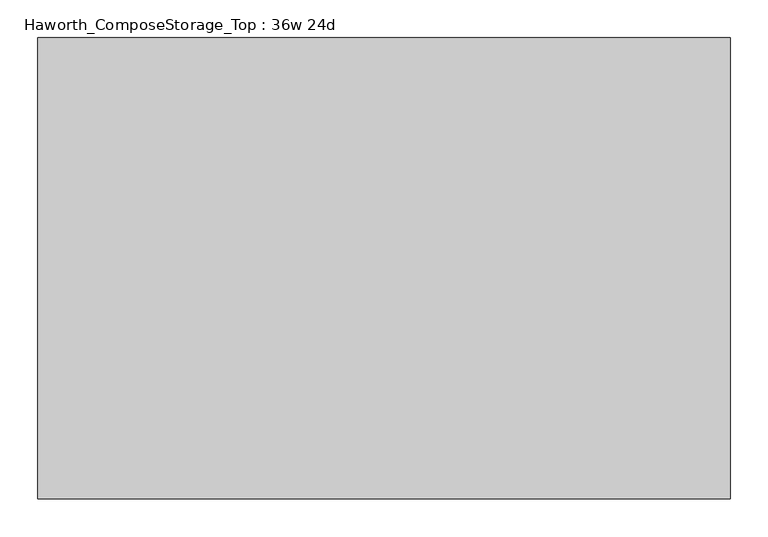
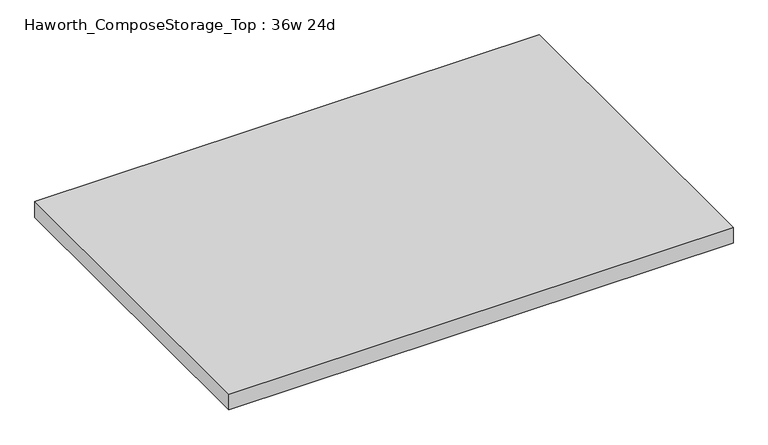
"""IFC4 building model written with IfcOpenShell, lengths in millimetres: furniture geometry, Haworth_ComposeStorage_Top : 36w 24d."""

from ifc_helpers import new_model, si_unit, frame, origin, place, context, project, spatial, polyline, outline, extrude, source, transform, mapped, element, save


def haworth_composestorage_top_36w_24d_125f9a2b(model_context):
    return source(origin(), model_context, "Body", "SweptSolid", [
        extrude(outline(polyline([(457.2, 304.8), (457.2, -304.8), (-457.2, -304.8), (-457.2, 304.8), (457.2, 304.8)])), frame((0.0, 0.0, 706.4375), z_axis=(0.0, 0.0, 1.0), x_axis=(1.0, 0.0, 0.0)), (0.0, 0.0, 1.0), 30.1625),
    ])


if __name__ == "__main__":
    model = new_model("IFC4")
    model_context = context("Model", 3, world=origin())
    ifc_project = project(units=[si_unit("LENGTHUNIT", "METRE", prefix="MILLI")], contexts=[model_context])
    site = spatial("IfcSite", under=ifc_project)
    building = spatial("IfcBuilding", under=site)
    placement = place(None, origin())
    haworth_composestorage_top_36w_24d_shape = haworth_composestorage_top_36w_24d_125f9a2b(model_context)
    element("IfcFurniture", 1, ObjectType="Haworth_ComposeStorage_Top : 36w 24d", at=placement, inside=building, context=model_context, shape_type="MappedRepresentation", body=[
        mapped(haworth_composestorage_top_36w_24d_shape, transform((0.0, 0.0, 0.0), x_axis=(1.0, 0.0, 0.0), y_axis=(0.0, 1.0, 0.0), z_axis=(0.0, 0.0, 1.0))),
    ])
    save(model, "model.ifc")
